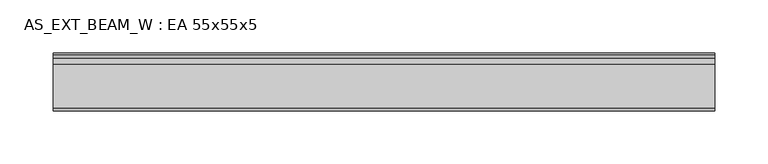
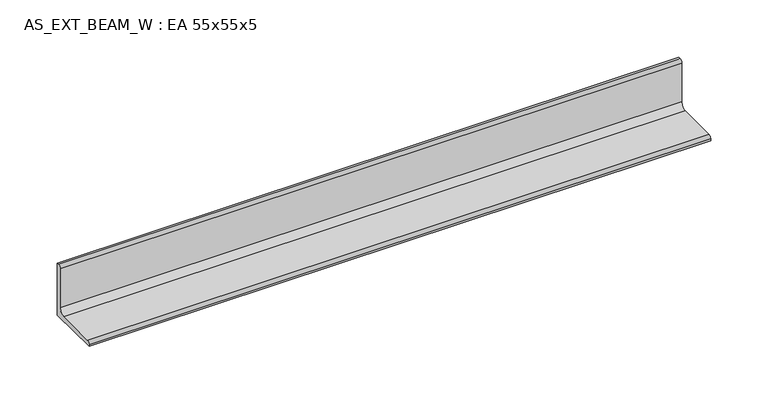
"""IFC4 building model written with IfcOpenShell, lengths in millimetres: beam geometry, AS_EXT_BEAM_W : EA 55x55x5."""

from ifc_helpers import new_model, si_unit, point, frame, frame_2d, origin, place, context, project, spatial, polyline, circle_curve, trimmed, segment, composite_curve, outline, extrude, source, transform, mapped, element, save


def as_ext_beam_w_ea_55x55x5_21c0a352(model_context):
    return source(origin(), model_context, "Body", "SweptSolid", [
        extrude(outline(composite_curve([segment(polyline([(15.2, -15.2), (-39.8, -15.2), (-39.8, -13.2)]), True, "CONTINUOUS"), segment(trimmed(circle_curve(frame_2d((-36.8, -13.2)), 3.0), [point((-39.8, -13.2))], [point((-36.8, -10.2))], False, "CARTESIAN"), True, "CONTINUOUS"), segment(polyline([(-36.8, -10.2), (4.2, -10.2)]), True, "CONTINUOUS"), segment(trimmed(circle_curve(frame_2d((4.2, -4.2)), 6.0), [point((4.2, -10.2))], [point((10.2, -4.2))], True, "CARTESIAN"), True, "CONTINUOUS"), segment(polyline([(10.2, -4.2), (10.2, 36.8)]), True, "CONTINUOUS"), segment(trimmed(circle_curve(frame_2d((13.2, 36.8)), 3.0), [point((10.2, 36.8))], [point((13.2, 39.8))], False, "CARTESIAN"), True, "CONTINUOUS"), segment(polyline([(13.2, 39.8), (15.2, 39.8), (15.2, -15.2)]), True, "CONTINUOUS")], self_intersect=False)), frame((-312.25, 0.0, 0.0), z_axis=(1.0, 0.0, 0.0), x_axis=(0.0, 1.0, 0.0)), (0.0, 0.0, 1.0), 624.5),
    ])


if __name__ == "__main__":
    model = new_model("IFC4")
    model_context = context("Model", 3, world=origin())
    ifc_project = project(units=[si_unit("LENGTHUNIT", "METRE", prefix="MILLI")], contexts=[model_context])
    site = spatial("IfcSite", under=ifc_project)
    building = spatial("IfcBuilding", under=site)
    placement = place(None, origin())
    as_ext_beam_w_ea_55x55x5_shape = as_ext_beam_w_ea_55x55x5_21c0a352(model_context)
    element("IfcBeam", 1, ObjectType="AS_EXT_BEAM_W : EA 55x55x5", at=placement, inside=building, context=model_context, shape_type="MappedRepresentation", body=[
        mapped(as_ext_beam_w_ea_55x55x5_shape, transform((0.0, 0.0, 0.0), x_axis=(1.0, 0.0, 0.0), y_axis=(0.0, 1.0, 0.0), z_axis=(0.0, 0.0, 1.0))),
    ])
    save(model, "model.ifc")
